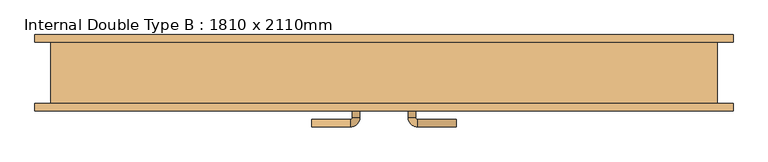
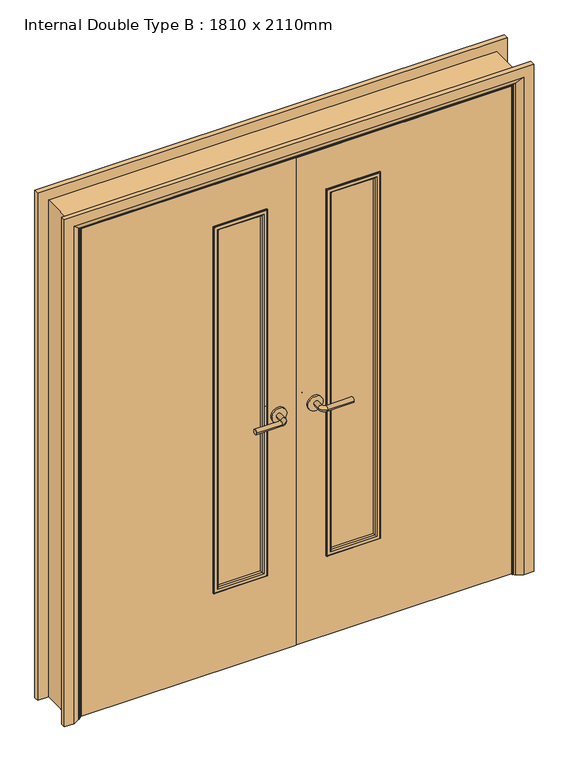
"""IFC4 building model written with IfcOpenShell, lengths in millimetres: door geometry, Internal Double Type B : 1810 x 2110mm."""

from ifc_helpers import new_model, si_unit, point, frame, frame_2d, origin, place, context, project, spatial, polyline, circle_curve, ellipse_curve, trimmed, segment, composite_curve, outline, extrude, faceted_brep, source, transform, mapped, element, save
from ifc_brep_helpers import plane_surface, cylinder_surface, revolved_surface, advanced_brep


def internal_double_type_b_1810_x_2110mm_bf38070e(model_context):
    return source(origin(), model_context, "Body", "SolidModel", [
        advanced_brep(
        [(-65.0, -42.5, 1007.0), (-85.0, -42.5, 1007.0), (-85.0, -12.5, 1007.0), (-65.0, -12.5, 1007.0), (-90.0, -7.5, 1007.0), (-90.0, 12.5, 1007.0), (-195.0, 12.5, 1007.0), (-195.0, -7.5, 1007.0)],
        [
            (0, 1, circle_curve(frame((-75.0, -42.5, 1007.0), z_axis=(0.0, -1.0, 0.0), x_axis=(-1.0, 0.0, 0.0)), 10.0)),
            (1, 0, circle_curve(frame((-75.0, -42.5, 1007.0), z_axis=(0.0, -1.0, 0.0), x_axis=(-1.0, 0.0, 0.0)), 10.0)),
            (1, 2),
            (2, 3, circle_curve(frame((-75.0, -12.5, 1007.0), z_axis=(0.0, -1.0, 0.0), x_axis=(-1.0, 0.0, 0.0)), 10.0)),
            (3, 0),
            (3, 2, circle_curve(frame((-75.0, -12.5, 1007.0), z_axis=(0.0, -1.0, 0.0), x_axis=(-1.0, 0.0, 0.0)), 10.0)),
            (4, 5, circle_curve(frame((-90.0, 2.5, 1007.0), z_axis=(1.0, 0.0, 0.0), x_axis=(0.0, -1.0, 0.0)), 10.0)),
            (5, 3, circle_curve(frame((-90.0, -12.5, 1007.0), z_axis=(0.0, 0.0, -1.0), x_axis=(1.0, 0.0, 0.0)), 25.0)),
            (2, 4, circle_curve(frame((-90.0, -12.5, 1007.0), z_axis=(0.0, 0.0, 1.0), x_axis=(1.0, 0.0, 0.0)), 5.0)),
            (5, 4, circle_curve(frame((-90.0, 2.5, 1007.0), z_axis=(1.0, 0.0, 0.0), x_axis=(0.0, -1.0, 0.0)), 10.0)),
            (6, 7, circle_curve(frame((-195.0, 2.5, 1007.0), z_axis=(-1.0, 0.0, 0.0), x_axis=(0.0, -1.0, 0.0)), 10.0)),
            (7, 6, circle_curve(frame((-195.0, 2.5, 1007.0), z_axis=(-1.0, 0.0, 0.0), x_axis=(0.0, -1.0, 0.0)), 10.0)),
            (4, 7),
            (6, 5),
        ],
        [
            plane_surface(frame((-75.0, -42.5, 1007.0), z_axis=(0.0, -1.0, 0.0), x_axis=(0.0, 0.0, 1.0))),
            cylinder_surface(frame((-75.0, -42.5, 1007.0), z_axis=(0.0, -1.0, 0.0), x_axis=(-1.0, 0.0, 0.0)), 10.0),
            revolved_surface(trimmed(ellipse_curve(frame((-75.0, -12.5, 1007.0), z_axis=(0.0, 1.0, 0.0), x_axis=(-1.0, 0.0, 0.0)), 10.0, 10.0), [point((-65.0, -12.5, 1007.0))], [point((-85.0, -12.5, 1007.0))], True, "CARTESIAN"), (-90.0, -12.5, 1007.0), (0.0, 0.0, -1.0)),
            revolved_surface(trimmed(ellipse_curve(frame((-75.0, -12.5, 1007.0), z_axis=(0.0, 1.0, 0.0), x_axis=(-1.0, 0.0, 0.0)), 10.0, 10.0), [point((-85.0, -12.5, 1007.0))], [point((-65.0, -12.5, 1007.0))], True, "CARTESIAN"), (-90.0, -12.5, 1007.0), (0.0, 0.0, -1.0)),
            plane_surface(frame((-195.0, 2.5, 1007.0), z_axis=(-1.0, 0.0, 0.0), x_axis=(0.0, 0.0, 1.0))),
            cylinder_surface(frame((-90.0, 2.5, 1007.0), z_axis=(1.0, 0.0, 0.0), x_axis=(0.0, -1.0, 0.0)), 10.0),
        ],
        [
            (0, [[1, 2]]),
            (1, [[3, 4, 5, -2]]),
            (1, [[-5, 6, -3, -1]]),
            (2, [[7, 8, -4, 9]]),
            (3, [[10, -9, -6, -8]]),
            (4, [[11, 12]]),
            (5, [[13, -11, 14, -7]]),
            (5, [[-14, -12, -13, -10]]),
        ],
    ),
        extrude(outline(composite_curve([segment(trimmed(circle_curve(frame_2d((1007.0, -72.5)), 30.0), [point((1007.0, -42.5))], [point((1007.0, -102.5))], False, "CARTESIAN"), True, "CONTINUOUS"), segment(trimmed(circle_curve(frame_2d((1007.0, -72.5)), 30.0), [point((1007.0, -102.5))], [point((1007.0, -42.5))], False, "CARTESIAN"), True, "CONTINUOUS")], self_intersect=False)), frame((0.0, -50.5, 0.0), z_axis=(0.0, 1.0, 0.0), x_axis=(0.0, 0.0, 1.0)), (0.0, 0.0, 1.0), 8.0),
        advanced_brep(
        [(-65.0, -90.5, 1007.0), (-85.0, -90.5, 1007.0), (-65.0, -120.5, 1007.0), (-85.0, -120.5, 1007.0), (-90.0, -125.5, 1007.0), (-90.0, -145.5, 1007.0), (-195.0, -145.5, 1007.0), (-195.0, -125.5, 1007.0)],
        [
            (0, 1, circle_curve(frame((-75.0, -90.5, 1007.0), z_axis=(0.0, 1.0, 0.0), x_axis=(-1.0, 0.0, 0.0)), 10.0)),
            (1, 0, circle_curve(frame((-75.0, -90.5, 1007.0), z_axis=(0.0, 1.0, 0.0), x_axis=(-1.0, 0.0, 0.0)), 10.0)),
            (0, 2),
            (2, 3, circle_curve(frame((-75.0, -120.5, 1007.0), z_axis=(0.0, 1.0, 0.0), x_axis=(-1.0, 0.0, 0.0)), 10.0)),
            (3, 1),
            (3, 2, circle_curve(frame((-75.0, -120.5, 1007.0), z_axis=(0.0, 1.0, 0.0), x_axis=(-1.0, 0.0, 0.0)), 10.0)),
            (4, 3, circle_curve(frame((-90.0, -120.5, 1007.0), z_axis=(0.0, 0.0, 1.0), x_axis=(1.0, 0.0, 0.0)), 5.0)),
            (2, 5, circle_curve(frame((-90.0, -120.5, 1007.0), z_axis=(0.0, 0.0, -1.0), x_axis=(1.0, 0.0, 0.0)), 25.0)),
            (5, 4, circle_curve(frame((-90.0, -135.5, 1007.0), z_axis=(1.0, 0.0, 0.0), x_axis=(0.0, 1.0, 0.0)), 10.0)),
            (4, 5, circle_curve(frame((-90.0, -135.5, 1007.0), z_axis=(1.0, 0.0, 0.0), x_axis=(0.0, 1.0, 0.0)), 10.0)),
            (6, 7, circle_curve(frame((-195.0, -135.5, 1007.0), z_axis=(-1.0, 0.0, 0.0), x_axis=(0.0, 1.0, 0.0)), 10.0)),
            (7, 6, circle_curve(frame((-195.0, -135.5, 1007.0), z_axis=(-1.0, 0.0, 0.0), x_axis=(0.0, 1.0, 0.0)), 10.0)),
            (5, 6),
            (7, 4),
        ],
        [
            plane_surface(frame((-75.0, -90.5, 1007.0), z_axis=(0.0, 1.0, 0.0), x_axis=(0.0, 0.0, 1.0))),
            cylinder_surface(frame((-75.0, -90.5, 1007.0), z_axis=(0.0, 1.0, 0.0), x_axis=(-1.0, 0.0, 0.0)), 10.0),
            revolved_surface(trimmed(ellipse_curve(frame((-75.0, -120.5, 1007.0), z_axis=(0.0, 1.0, 0.0), x_axis=(-1.0, 0.0, 0.0)), 10.0, 10.0), [point((-65.0, -120.5, 1007.0))], [point((-85.0, -120.5, 1007.0))], True, "CARTESIAN"), (-90.0, -120.5, 1007.0), (0.0, 0.0, -1.0)),
            revolved_surface(trimmed(ellipse_curve(frame((-75.0, -120.5, 1007.0), z_axis=(0.0, 1.0, 0.0), x_axis=(-1.0, 0.0, 0.0)), 10.0, 10.0), [point((-85.0, -120.5, 1007.0))], [point((-65.0, -120.5, 1007.0))], True, "CARTESIAN"), (-90.0, -120.5, 1007.0), (0.0, 0.0, -1.0)),
            plane_surface(frame((-195.0, -135.5, 1007.0), z_axis=(-1.0, 0.0, 0.0), x_axis=(0.0, 0.0, 1.0))),
            cylinder_surface(frame((-90.0, -135.5, 1007.0), z_axis=(1.0, 0.0, 0.0), x_axis=(0.0, 1.0, 0.0)), 10.0),
        ],
        [
            (0, [[1, 2]]),
            (1, [[-1, 3, 4, 5]]),
            (1, [[-2, -5, 6, -3]]),
            (2, [[7, -4, 8, 9]]),
            (3, [[-8, -6, -7, 10]]),
            (4, [[11, 12]]),
            (5, [[-9, 13, -12, 14]]),
            (5, [[-10, -14, -11, -13]]),
        ],
    ),
        extrude(outline(composite_curve([segment(trimmed(circle_curve(frame_2d((1007.0, -72.5)), 30.0), [point((1007.0, -42.5))], [point((1007.0, -102.5))], False, "CARTESIAN"), True, "CONTINUOUS"), segment(trimmed(circle_curve(frame_2d((1007.0, -72.5)), 30.0), [point((1007.0, -102.5))], [point((1007.0, -42.5))], False, "CARTESIAN"), True, "CONTINUOUS")], self_intersect=False)), frame((0.0, -90.5, 0.0), z_axis=(0.0, 1.0, 0.0), x_axis=(0.0, 0.0, 1.0)), (0.0, 0.0, 1.0), 8.0),
        advanced_brep(
        [(65.0, -42.5, 1007.0), (85.0, -42.5, 1007.0), (65.0, -12.5, 1007.0), (85.0, -12.5, 1007.0), (90.0, -7.5, 1007.0), (90.0, 12.5, 1007.0), (195.0, 12.5, 1007.0), (195.0, -7.5, 1007.0)],
        [
            (0, 1, circle_curve(frame((75.0, -42.5, 1007.0), z_axis=(0.0, -1.0, 0.0), x_axis=(1.0, 0.0, 0.0)), 10.0)),
            (1, 0, circle_curve(frame((75.0, -42.5, 1007.0), z_axis=(0.0, -1.0, 0.0), x_axis=(1.0, 0.0, 0.0)), 10.0)),
            (0, 2),
            (2, 3, circle_curve(frame((75.0, -12.5, 1007.0), z_axis=(0.0, -1.0, 0.0), x_axis=(1.0, 0.0, 0.0)), 10.0)),
            (3, 1),
            (3, 2, circle_curve(frame((75.0, -12.5, 1007.0), z_axis=(0.0, -1.0, 0.0), x_axis=(1.0, 0.0, 0.0)), 10.0)),
            (4, 3, circle_curve(frame((90.0, -12.5, 1007.0), z_axis=(0.0, 0.0, 1.0), x_axis=(-1.0, 0.0, 0.0)), 5.0)),
            (2, 5, circle_curve(frame((90.0, -12.5, 1007.0), z_axis=(0.0, 0.0, -1.0), x_axis=(-1.0, 0.0, 0.0)), 25.0)),
            (5, 4, circle_curve(frame((90.0, 2.5, 1007.0), z_axis=(-1.0, 0.0, 0.0), x_axis=(0.0, -1.0, 0.0)), 10.0)),
            (4, 5, circle_curve(frame((90.0, 2.5, 1007.0), z_axis=(-1.0, 0.0, 0.0), x_axis=(0.0, -1.0, 0.0)), 10.0)),
            (6, 7, circle_curve(frame((195.0, 2.5, 1007.0), z_axis=(1.0, 0.0, 0.0), x_axis=(0.0, -1.0, 0.0)), 10.0)),
            (7, 6, circle_curve(frame((195.0, 2.5, 1007.0), z_axis=(1.0, 0.0, 0.0), x_axis=(0.0, -1.0, 0.0)), 10.0)),
            (5, 6),
            (7, 4),
        ],
        [
            plane_surface(frame((75.0, -42.5, 1007.0), z_axis=(0.0, -1.0, 0.0), x_axis=(0.0, 0.0, 1.0))),
            cylinder_surface(frame((75.0, -42.5, 1007.0), z_axis=(0.0, -1.0, 0.0), x_axis=(1.0, 0.0, 0.0)), 10.0),
            revolved_surface(trimmed(ellipse_curve(frame((75.0, -12.5, 1007.0), z_axis=(0.0, -1.0, 0.0), x_axis=(1.0, 0.0, 0.0)), 10.0, 10.0), [point((65.0, -12.5, 1007.0))], [point((85.0, -12.5, 1007.0))], True, "CARTESIAN"), (90.0, -12.5, 1007.0), (0.0, 0.0, -1.0)),
            revolved_surface(trimmed(ellipse_curve(frame((75.0, -12.5, 1007.0), z_axis=(0.0, -1.0, 0.0), x_axis=(1.0, 0.0, 0.0)), 10.0, 10.0), [point((85.0, -12.5, 1007.0))], [point((65.0, -12.5, 1007.0))], True, "CARTESIAN"), (90.0, -12.5, 1007.0), (0.0, 0.0, -1.0)),
            plane_surface(frame((195.0, 2.5, 1007.0), z_axis=(1.0, 0.0, 0.0), x_axis=(0.0, 0.0, 1.0))),
            cylinder_surface(frame((90.0, 2.5, 1007.0), z_axis=(-1.0, 0.0, 0.0), x_axis=(0.0, -1.0, 0.0)), 10.0),
        ],
        [
            (0, [[1, 2]]),
            (1, [[-1, 3, 4, 5]]),
            (1, [[-2, -5, 6, -3]]),
            (2, [[7, -4, 8, 9]]),
            (3, [[-8, -6, -7, 10]]),
            (4, [[11, 12]]),
            (5, [[-9, 13, -12, 14]]),
            (5, [[-10, -14, -11, -13]]),
        ],
    ),
        extrude(outline(composite_curve([segment(trimmed(circle_curve(frame_2d((1007.0, 72.5)), 30.0), [point((1007.0, 42.5))], [point((1007.0, 102.5))], False, "CARTESIAN"), True, "CONTINUOUS"), segment(trimmed(circle_curve(frame_2d((1007.0, 72.5)), 30.0), [point((1007.0, 102.5))], [point((1007.0, 42.5))], False, "CARTESIAN"), True, "CONTINUOUS")], self_intersect=False)), frame((0.0, -50.5, 0.0), z_axis=(0.0, 1.0, 0.0), x_axis=(0.0, 0.0, 1.0)), (0.0, 0.0, 1.0), 8.0),
        advanced_brep(
        [(65.0, -90.5, 1007.0), (85.0, -90.5, 1007.0), (85.0, -120.5, 1007.0), (65.0, -120.5, 1007.0), (90.0, -125.5, 1007.0), (90.0, -145.5, 1007.0), (195.0, -145.5, 1007.0), (195.0, -125.5, 1007.0)],
        [
            (0, 1, circle_curve(frame((75.0, -90.5, 1007.0), z_axis=(0.0, 1.0, 0.0), x_axis=(1.0, 0.0, 0.0)), 10.0)),
            (1, 0, circle_curve(frame((75.0, -90.5, 1007.0), z_axis=(0.0, 1.0, 0.0), x_axis=(1.0, 0.0, 0.0)), 10.0)),
            (1, 2),
            (2, 3, circle_curve(frame((75.0, -120.5, 1007.0), z_axis=(0.0, 1.0, 0.0), x_axis=(1.0, 0.0, 0.0)), 10.0)),
            (3, 0),
            (3, 2, circle_curve(frame((75.0, -120.5, 1007.0), z_axis=(0.0, 1.0, 0.0), x_axis=(1.0, 0.0, 0.0)), 10.0)),
            (4, 5, circle_curve(frame((90.0, -135.5, 1007.0), z_axis=(-1.0, 0.0, 0.0), x_axis=(0.0, 1.0, 0.0)), 10.0)),
            (5, 3, circle_curve(frame((90.0, -120.5, 1007.0), z_axis=(0.0, 0.0, -1.0), x_axis=(-1.0, 0.0, 0.0)), 25.0)),
            (2, 4, circle_curve(frame((90.0, -120.5, 1007.0), z_axis=(0.0, 0.0, 1.0), x_axis=(-1.0, 0.0, 0.0)), 5.0)),
            (5, 4, circle_curve(frame((90.0, -135.5, 1007.0), z_axis=(-1.0, 0.0, 0.0), x_axis=(0.0, 1.0, 0.0)), 10.0)),
            (6, 7, circle_curve(frame((195.0, -135.5, 1007.0), z_axis=(1.0, 0.0, 0.0), x_axis=(0.0, 1.0, 0.0)), 10.0)),
            (7, 6, circle_curve(frame((195.0, -135.5, 1007.0), z_axis=(1.0, 0.0, 0.0), x_axis=(0.0, 1.0, 0.0)), 10.0)),
            (4, 7),
            (6, 5),
        ],
        [
            plane_surface(frame((75.0, -90.5, 1007.0), z_axis=(0.0, 1.0, 0.0), x_axis=(0.0, 0.0, 1.0))),
            cylinder_surface(frame((75.0, -90.5, 1007.0), z_axis=(0.0, 1.0, 0.0), x_axis=(1.0, 0.0, 0.0)), 10.0),
            revolved_surface(trimmed(ellipse_curve(frame((75.0, -120.5, 1007.0), z_axis=(0.0, -1.0, 0.0), x_axis=(1.0, 0.0, 0.0)), 10.0, 10.0), [point((65.0, -120.5, 1007.0))], [point((85.0, -120.5, 1007.0))], True, "CARTESIAN"), (90.0, -120.5, 1007.0), (0.0, 0.0, -1.0)),
            revolved_surface(trimmed(ellipse_curve(frame((75.0, -120.5, 1007.0), z_axis=(0.0, -1.0, 0.0), x_axis=(1.0, 0.0, 0.0)), 10.0, 10.0), [point((85.0, -120.5, 1007.0))], [point((65.0, -120.5, 1007.0))], True, "CARTESIAN"), (90.0, -120.5, 1007.0), (0.0, 0.0, -1.0)),
            plane_surface(frame((195.0, -135.5, 1007.0), z_axis=(1.0, 0.0, 0.0), x_axis=(0.0, 0.0, 1.0))),
            cylinder_surface(frame((90.0, -135.5, 1007.0), z_axis=(-1.0, 0.0, 0.0), x_axis=(0.0, 1.0, 0.0)), 10.0),
        ],
        [
            (0, [[1, 2]]),
            (1, [[3, 4, 5, -2]]),
            (1, [[-5, 6, -3, -1]]),
            (2, [[7, 8, -4, 9]]),
            (3, [[10, -9, -6, -8]]),
            (4, [[11, 12]]),
            (5, [[13, -11, 14, -7]]),
            (5, [[-14, -12, -13, -10]]),
        ],
    ),
        extrude(outline(composite_curve([segment(trimmed(circle_curve(frame_2d((1007.0, 72.5)), 30.0), [point((1007.0, 42.5))], [point((1007.0, 102.5))], False, "CARTESIAN"), True, "CONTINUOUS"), segment(trimmed(circle_curve(frame_2d((1007.0, 72.5)), 30.0), [point((1007.0, 102.5))], [point((1007.0, 42.5))], False, "CARTESIAN"), True, "CONTINUOUS")], self_intersect=False)), frame((0.0, -90.5, 0.0), z_axis=(0.0, 1.0, 0.0), x_axis=(0.0, 0.0, 1.0)), (0.0, 0.0, 1.0), 8.0),
        advanced_brep(
        [(-940.0, 102.5, 0.0), (-900.0, 102.5, 0.0), (-874.0, 88.5, 0.0), (-870.0, 82.5, 0.0), (-940.0, 82.5, 0.0), (-940.0, 82.5, 2145.0), (-940.0, 102.5, 2145.0), (-870.0, 82.5, 2075.0), (870.0, 82.5, 2075.0), (870.0, 82.5, 0.0), (940.0, 82.5, 0.0), (940.0, 82.5, 2145.0), (-874.0, 88.5, 2079.0), (-900.0, 102.5, 2105.0), (940.0, 102.5, 2145.0), (940.0, 102.5, 0.0), (900.0, 102.5, 0.0), (900.0, 102.5, 2105.0), (874.0, 88.5, 2079.0), (874.0, 88.5, 0.0)],
        [
            (0, 1),
            (1, 2),
            (2, 3, circle_curve(frame((-878.0, 81.5, 0.0), z_axis=(0.0, 0.0, -1.0), x_axis=(-1.0, 0.0, 0.0)), 8.0622577)),
            (3, 4),
            (4, 0),
            (4, 5),
            (5, 6),
            (6, 0),
            (3, 7),
            (7, 8),
            (8, 9),
            (9, 10),
            (10, 11),
            (11, 5),
            (2, 12),
            (12, 7, ellipse_curve(frame((-878.0, 81.5, 2083.0), z_axis=(-0.7071067811865475, 0.0, -0.7071067811865475), x_axis=(0.7071067811865474, 0.0, -0.7071067811865476)), 11.4017543, 8.0622577)),
            (1, 13),
            (13, 12),
            (6, 14),
            (14, 15),
            (15, 16),
            (16, 17),
            (17, 13),
            (11, 14),
            (12, 18),
            (18, 8, ellipse_curve(frame((878.0, 81.5, 2083.0), z_axis=(-0.7071067811865475, 0.0, 0.7071067811865475), x_axis=(-0.7071067811865476, 0.0, -0.7071067811865474)), 11.4017543, 8.0622577)),
            (17, 18),
            (15, 10),
            (9, 19, circle_curve(frame((878.0, 81.5, 0.0), z_axis=(0.0, 0.0, -1.0), x_axis=(1.0, 0.0, 0.0)), 8.0622577)),
            (19, 16),
            (18, 19),
        ],
        [
            plane_surface(frame((-870.0, 82.5, 0.0), z_axis=(0.0, 0.0, -1.0), x_axis=(0.0, 1.0, 0.0))),
            plane_surface(frame((-940.0, 102.5, 0.0), z_axis=(-1.0, 0.0, 0.0), x_axis=(0.0, 0.0, 1.0))),
            plane_surface(frame((-940.0, 82.5, 0.0), z_axis=(0.0, -1.0, 0.0), x_axis=(0.0, 0.0, 1.0))),
            cylinder_surface(frame((-878.0, 81.5, 0.0), z_axis=(0.0, 0.0, -1.0), x_axis=(-1.0, 0.0, 0.0)), 8.0622577),
            plane_surface(frame((-874.0, 88.5, 0.0), z_axis=(0.4740998230350183, 0.8804710999221749, 0.0), x_axis=(0.0, 0.0, 1.0))),
            plane_surface(frame((-900.0, 102.5, 0.0), z_axis=(0.0, 1.0, 0.0), x_axis=(0.0, 0.0, 1.0))),
            plane_surface(frame((-940.0, 102.5, 2145.0), z_axis=(0.0, 0.0, 1.0), x_axis=(1.0, 0.0, 0.0))),
            cylinder_surface(frame((-870.0, 81.5, 2083.0), z_axis=(-1.0, 0.0, 0.0), x_axis=(0.0, 0.0, 1.0)), 8.0622577),
            plane_surface(frame((-874.0, 88.5, 2079.0), z_axis=(0.0, 0.8804710999221749, -0.4740998230350183), x_axis=(1.0, 0.0, 0.0))),
            plane_surface(frame((870.0, 82.5, 0.0), z_axis=(0.0, 0.0, -1.0), x_axis=(0.0, 1.0, 0.0))),
            plane_surface(frame((940.0, 102.5, 2145.0), z_axis=(1.0, 0.0, 0.0), x_axis=(0.0, 0.0, -1.0))),
            cylinder_surface(frame((878.0, 81.5, 2075.0), z_axis=(0.0, 0.0, 1.0), x_axis=(1.0, 0.0, 0.0)), 8.0622577),
            plane_surface(frame((874.0, 88.5, 2079.0), z_axis=(-0.4740998230350183, 0.8804710999221749, 0.0), x_axis=(0.0, 0.0, -1.0))),
        ],
        [
            (0, [[1, 2, 3, 4, 5]]),
            (1, [[6, 7, 8, -5]]),
            (2, [[9, 10, 11, 12, 13, 14, -6, -4]]),
            (3, [[15, 16, -9, -3]]),
            (4, [[17, 18, -15, -2]]),
            (5, [[-8, 19, 20, 21, 22, 23, -17, -1]]),
            (6, [[-14, 24, -19, -7]]),
            (7, [[25, 26, -10, -16]]),
            (8, [[-23, 27, -25, -18]]),
            (9, [[28, -12, 29, 30, -21]]),
            (10, [[-13, -28, -20, -24]]),
            (11, [[31, -29, -11, -26]]),
            (12, [[-22, -30, -31, -27]]),
        ],
    ),
        advanced_brep(
        [(940.0, -102.5, 0.0), (900.0, -102.5, 0.0), (874.0, -88.5, 0.0), (870.0, -82.5, 0.0), (940.0, -82.5, 0.0), (940.0, -82.5, 2145.0), (940.0, -102.5, 2145.0), (870.0, -82.5, 2075.0), (-870.0, -82.5, 2075.0), (-870.0, -82.5, 0.0), (-940.0, -82.5, 0.0), (-940.0, -82.5, 2145.0), (874.0, -88.5, 2079.0), (900.0, -102.5, 2105.0), (-940.0, -102.5, 2145.0), (-940.0, -102.5, 0.0), (-900.0, -102.5, 0.0), (-900.0, -102.5, 2105.0), (-874.0, -88.5, 2079.0), (-874.0, -88.5, 0.0)],
        [
            (0, 1),
            (1, 2),
            (2, 3, circle_curve(frame((878.0, -81.5, 0.0), z_axis=(0.0, 0.0, -1.0), x_axis=(1.0, 0.0, 0.0)), 8.0622577)),
            (3, 4),
            (4, 0),
            (4, 5),
            (5, 6),
            (6, 0),
            (3, 7),
            (7, 8),
            (8, 9),
            (9, 10),
            (10, 11),
            (11, 5),
            (2, 12),
            (12, 7, ellipse_curve(frame((878.0, -81.5, 2083.0), z_axis=(0.7071067811865475, 0.0, -0.7071067811865475), x_axis=(-0.7071067811865474, 0.0, -0.7071067811865476)), 11.4017543, 8.0622577)),
            (1, 13),
            (13, 12),
            (6, 14),
            (14, 15),
            (15, 16),
            (16, 17),
            (17, 13),
            (11, 14),
            (12, 18),
            (18, 8, ellipse_curve(frame((-878.0, -81.5, 2083.0), z_axis=(0.7071067811865475, 0.0, 0.7071067811865475), x_axis=(0.7071067811865476, 0.0, -0.7071067811865474)), 11.4017543, 8.0622577)),
            (17, 18),
            (15, 10),
            (9, 19, circle_curve(frame((-878.0, -81.5, 0.0), z_axis=(0.0, 0.0, -1.0), x_axis=(-1.0, 0.0, 0.0)), 8.0622577)),
            (19, 16),
            (18, 19),
        ],
        [
            plane_surface(frame((870.0, -82.5, 0.0), z_axis=(0.0, 0.0, -1.0), x_axis=(0.0, 1.0, 0.0))),
            plane_surface(frame((940.0, -102.5, 0.0), z_axis=(1.0, 0.0, 0.0), x_axis=(0.0, 0.0, 1.0))),
            plane_surface(frame((940.0, -82.5, 0.0), z_axis=(0.0, 1.0, 0.0), x_axis=(0.0, 0.0, 1.0))),
            cylinder_surface(frame((878.0, -81.5, 0.0), z_axis=(0.0, 0.0, -1.0), x_axis=(1.0, 0.0, 0.0)), 8.0622577),
            plane_surface(frame((874.0, -88.5, 0.0), z_axis=(-0.4740998230350126, -0.8804710999221779, 0.0), x_axis=(0.0, 0.0, 1.0))),
            plane_surface(frame((900.0, -102.5, 0.0), z_axis=(0.0, -1.0, 0.0), x_axis=(0.0, 0.0, 1.0))),
            plane_surface(frame((940.0, -102.5, 2145.0), z_axis=(0.0, 0.0, 1.0), x_axis=(-1.0, 0.0, 0.0))),
            cylinder_surface(frame((870.0, -81.5, 2083.0), z_axis=(1.0, 0.0, 0.0), x_axis=(0.0, 0.0, 1.0)), 8.0622577),
            plane_surface(frame((874.0, -88.5, 2079.0), z_axis=(0.0, -0.8804710999221763, -0.4740998230350154), x_axis=(-1.0, 0.0, 0.0))),
            plane_surface(frame((-870.0, -82.5, 0.0), z_axis=(0.0, 0.0, -1.0), x_axis=(0.0, 1.0, 0.0))),
            plane_surface(frame((-940.0, -102.5, 2145.0), z_axis=(-1.0, 0.0, 0.0), x_axis=(0.0, 0.0, -1.0))),
            cylinder_surface(frame((-878.0, -81.5, 2075.0), z_axis=(0.0, 0.0, 1.0), x_axis=(-1.0, 0.0, 0.0)), 8.0622577),
            plane_surface(frame((-874.0, -88.5, 2079.0), z_axis=(0.4740998230350183, -0.8804710999221749, 0.0), x_axis=(0.0, 0.0, -1.0))),
        ],
        [
            (0, [[1, 2, 3, 4, 5]]),
            (1, [[6, 7, 8, -5]]),
            (2, [[9, 10, 11, 12, 13, 14, -6, -4]]),
            (3, [[15, 16, -9, -3]]),
            (4, [[17, 18, -15, -2]]),
            (5, [[-8, 19, 20, 21, 22, 23, -17, -1]]),
            (6, [[-14, 24, -19, -7]]),
            (7, [[25, 26, -10, -16]]),
            (8, [[-23, 27, -25, -18]]),
            (9, [[28, -12, 29, 30, -21]]),
            (10, [[-13, -28, -20, -24]]),
            (11, [[31, -29, -11, -26]]),
            (12, [[-22, -30, -31, -27]]),
        ],
    ),
        faceted_brep([(-846.0, -47.5, 0.0), (-865.0, -47.5, 0.0), (-865.0, -15.5, 0.0), (-846.0, -15.5, 0.0), (-846.0, -15.5, 2051.0), (-846.0, -47.5, 2051.0), (-865.0, -15.5, 2070.0), (-865.0, -47.5, 2070.0), (846.0, -15.5, 2051.0), (846.0, -47.5, 2051.0), (865.0, -15.5, 2070.0), (865.0, -47.5, 2070.0), (846.0, -47.5, 0.0), (846.0, -15.5, 0.0), (865.0, -15.5, 0.0), (865.0, -47.5, 0.0)], [[[0, 1, 2, 3]], [[3, 4, 5, 0]], [[2, 6, 4, 3]], [[1, 7, 6, 2]], [[0, 5, 7, 1]], [[4, 8, 9, 5]], [[6, 10, 8, 4]], [[7, 11, 10, 6]], [[5, 9, 11, 7]], [[12, 13, 14, 15]], [[8, 13, 12, 9]], [[10, 14, 13, 8]], [[11, 15, 14, 10]], [[9, 12, 15, 11]]]),
        extrude(outline(polyline([(2102.0, -897.0), (0.0, -897.0), (0.0, -865.0), (2070.0, -865.0), (2070.0, 865.0), (0.0, 865.0), (0.0, 897.0), (2102.0, 897.0), (2102.0, -897.0)])), frame((0.0, -82.5, 0.0), z_axis=(0.0, 1.0, 0.0), x_axis=(0.0, 0.0, 1.0)), (0.0, 0.0, 1.0), 165.0),
        extrude(outline(polyline([(326.5, -60.5), (326.5, -72.5), (126.5, -72.5), (126.5, -60.5), (326.5, -60.5)])), frame((0.0, 0.0, 350.0), z_axis=(0.0, 0.0, 1.0), x_axis=(1.0, 0.0, 0.0)), (0.0, 0.0, 1.0), 1535.0),
        extrude(outline(polyline([(-126.5, -60.5), (-126.5, -72.5), (-326.5, -72.5), (-326.5, -60.5), (-126.5, -60.5)])), frame((0.0, 0.0, 350.0), z_axis=(0.0, 0.0, 1.0), x_axis=(1.0, 0.0, 0.0)), (0.0, 0.0, 1.0), 1535.0),
        extrude(outline(polyline([(5.753223, -862.0), (5.753223, -1.5), (2067.0, -1.5), (2067.0, -862.0), (5.753223, -862.0)]), holes=[polyline([(1885.0, -326.5), (1885.0, -126.5), (350.0, -126.5), (350.0, -326.5), (1885.0, -326.5)])]), frame((0.0, -82.5, 0.0), z_axis=(0.0, 1.0, 0.0), x_axis=(0.0, 0.0, 1.0)), (0.0, 0.0, 1.0), 32.0),
        extrude(outline(polyline([(5.753223, 862.0), (2067.0, 862.0), (2067.0, 1.5), (5.753223, 1.5), (5.753223, 862.0)]), holes=[polyline([(1885.0, 126.5), (1885.0, 326.5), (350.0, 326.5), (350.0, 126.5), (1885.0, 126.5)])]), frame((0.0, -82.5, 0.0), z_axis=(0.0, 1.0, 0.0), x_axis=(0.0, 0.0, 1.0)), (0.0, 0.0, 1.0), 32.0),
        advanced_brep(
        [(326.5, -60.5, 1885.0), (326.5, -60.5, 350.0), (326.5, -50.5, 350.0), (326.5, -50.5, 1885.0), (314.5, -49.5, 1873.0), (314.5, -49.5, 362.0), (314.5, -60.5, 362.0), (314.5, -60.5, 1873.0), (319.5, -44.5, 1878.0), (319.5, -44.5, 357.0), (334.5, -46.5, 1893.0), (334.5, -46.5, 342.0), (332.5, -44.5, 344.0), (332.5, -44.5, 1891.0), (334.5, -50.5, 1893.0), (334.5, -50.5, 342.0), (126.5, -60.5, 350.0), (126.5, -50.5, 350.0), (138.5, -49.5, 362.0), (138.5, -60.5, 362.0), (133.5, -44.5, 357.0), (118.5, -46.5, 342.0), (120.5, -44.5, 344.0), (118.5, -50.5, 342.0), (126.5, -60.5, 1885.0), (126.5, -50.5, 1885.0), (138.5, -49.5, 1873.0), (138.5, -60.5, 1873.0), (133.5, -44.5, 1878.0), (118.5, -46.5, 1893.0), (120.5, -44.5, 1891.0), (118.5, -50.5, 1893.0)],
        [
            (0, 1),
            (1, 2),
            (2, 3),
            (3, 0),
            (4, 5),
            (5, 6),
            (6, 7),
            (7, 4),
            (8, 9),
            (9, 5, ellipse_curve(frame((319.5, -49.5, 357.0), z_axis=(0.7071067811865475, 0.0, 0.7071067811865475), x_axis=(-0.7071067811865474, 0.0, 0.7071067811865476)), 7.0710678, 5.0)),
            (4, 8, ellipse_curve(frame((319.5, -49.5, 1878.0), z_axis=(0.7071067811865475, 0.0, -0.7071067811865475), x_axis=(0.7071067811865474, 0.0, 0.7071067811865476)), 7.0710678, 5.0)),
            (10, 11),
            (11, 12, ellipse_curve(frame((332.5, -46.5, 344.0), z_axis=(0.7071067811865475, 0.0, 0.7071067811865475), x_axis=(-0.7071067811865474, 0.0, 0.7071067811865476)), 2.8284271, 2.0)),
            (12, 13),
            (13, 10, ellipse_curve(frame((332.5, -46.5, 1891.0), z_axis=(0.7071067811865475, 0.0, -0.7071067811865475), x_axis=(0.7071067811865474, 0.0, 0.7071067811865476)), 2.8284271, 2.0)),
            (14, 15),
            (15, 11),
            (10, 14),
            (1, 16),
            (16, 17),
            (17, 2),
            (5, 18),
            (18, 19),
            (19, 6),
            (9, 20),
            (20, 18, ellipse_curve(frame((133.5, -49.5, 357.0), z_axis=(0.7071067811865475, 0.0, -0.7071067811865475), x_axis=(0.7071067811865476, 0.0, 0.7071067811865474)), 7.0710678, 5.0)),
            (11, 21),
            (21, 22, ellipse_curve(frame((120.5, -46.5, 344.0), z_axis=(0.7071067811865475, 0.0, -0.7071067811865475), x_axis=(0.7071067811865476, 0.0, 0.7071067811865474)), 2.8284271, 2.0)),
            (22, 12),
            (15, 23),
            (23, 21),
            (16, 24),
            (24, 25),
            (25, 17),
            (18, 26),
            (26, 27),
            (27, 19),
            (20, 28),
            (28, 26, ellipse_curve(frame((133.5, -49.5, 1878.0), z_axis=(-0.7071067811865475, 0.0, -0.7071067811865475), x_axis=(0.7071067811865474, 0.0, -0.7071067811865476)), 7.0710678, 5.0)),
            (21, 29),
            (29, 30, ellipse_curve(frame((120.5, -46.5, 1891.0), z_axis=(-0.7071067811865475, 0.0, -0.7071067811865475), x_axis=(0.7071067811865474, 0.0, -0.7071067811865476)), 2.8284271, 2.0)),
            (30, 22),
            (23, 31),
            (31, 29),
            (14, 31),
            (25, 3),
            (24, 0),
            (27, 7),
            (26, 4),
            (28, 8),
            (30, 13),
            (29, 10),
        ],
        [
            plane_surface(frame((326.5, -50.5, 1885.0), z_axis=(1.0, 0.0, 0.0), x_axis=(0.0, 0.0, -1.0))),
            plane_surface(frame((314.5, -60.5, 1873.0), z_axis=(-1.0, 0.0, 0.0), x_axis=(0.0, 0.0, -1.0))),
            cylinder_surface(frame((319.5, -49.5, 1885.0), z_axis=(0.0, 0.0, 1.0), x_axis=(1.0, 0.0, 0.0)), 5.0),
            cylinder_surface(frame((332.5, -46.5, 1885.0), z_axis=(0.0, 0.0, 1.0), x_axis=(1.0, 0.0, 0.0)), 2.0),
            plane_surface(frame((334.5, -46.5, 1893.0), z_axis=(1.0, 0.0, 0.0), x_axis=(0.0, 0.0, -1.0))),
            plane_surface(frame((326.5, -50.5, 350.0), z_axis=(0.0, 0.0, -1.0), x_axis=(-1.0, 0.0, 0.0))),
            plane_surface(frame((314.5, -60.5, 362.0), z_axis=(0.0, 0.0, 1.0), x_axis=(-1.0, 0.0, 0.0))),
            cylinder_surface(frame((326.5, -49.5, 357.0), z_axis=(1.0, 0.0, 0.0), x_axis=(0.0, 0.0, -1.0)), 5.0),
            cylinder_surface(frame((326.5, -46.5, 344.0), z_axis=(1.0, 0.0, 0.0), x_axis=(0.0, 0.0, -1.0)), 2.0),
            plane_surface(frame((334.5, -46.5, 342.0), z_axis=(0.0, 0.0, -1.0), x_axis=(-1.0, 0.0, 0.0))),
            plane_surface(frame((126.5, -50.5, 350.0), z_axis=(-1.0, 0.0, 0.0), x_axis=(0.0, 0.0, 1.0))),
            plane_surface(frame((138.5, -60.5, 362.0), z_axis=(1.0, 0.0, 0.0), x_axis=(0.0, 0.0, 1.0))),
            cylinder_surface(frame((133.5, -49.5, 350.0), z_axis=(0.0, 0.0, -1.0), x_axis=(-1.0, 0.0, 0.0)), 5.0),
            cylinder_surface(frame((120.5, -46.5, 350.0), z_axis=(0.0, 0.0, -1.0), x_axis=(-1.0, 0.0, 0.0)), 2.0),
            plane_surface(frame((118.5, -46.5, 342.0), z_axis=(-1.0, 0.0, 0.0), x_axis=(0.0, 0.0, 1.0))),
            plane_surface(frame((118.5, -50.5, 1893.0), z_axis=(0.0, -1.0, 0.0), x_axis=(1.0, 0.0, 0.0))),
            plane_surface(frame((126.5, -50.5, 1885.0), z_axis=(0.0, 0.0, 1.0), x_axis=(1.0, 0.0, 0.0))),
            plane_surface(frame((126.5, -60.5, 1885.0), z_axis=(0.0, -1.0, 0.0), x_axis=(1.0, 0.0, 0.0))),
            plane_surface(frame((138.5, -60.5, 1873.0), z_axis=(0.0, 0.0, -1.0), x_axis=(1.0, 0.0, 0.0))),
            cylinder_surface(frame((126.5, -49.5, 1878.0), z_axis=(-1.0, 0.0, 0.0), x_axis=(0.0, 0.0, 1.0)), 5.0),
            plane_surface(frame((133.5, -44.5, 1878.0), z_axis=(0.0, 1.0, 0.0), x_axis=(1.0, 0.0, 0.0))),
            cylinder_surface(frame((126.5, -46.5, 1891.0), z_axis=(-1.0, 0.0, 0.0), x_axis=(0.0, 0.0, 1.0)), 2.0),
            plane_surface(frame((118.5, -46.5, 1893.0), z_axis=(0.0, 0.0, 1.0), x_axis=(1.0, 0.0, 0.0))),
        ],
        [
            (0, [[1, 2, 3, 4]]),
            (1, [[5, 6, 7, 8]]),
            (2, [[9, 10, -5, 11]]),
            (3, [[12, 13, 14, 15]]),
            (4, [[16, 17, -12, 18]]),
            (5, [[19, 20, 21, -2]]),
            (6, [[22, 23, 24, -6]]),
            (7, [[25, 26, -22, -10]]),
            (8, [[27, 28, 29, -13]]),
            (9, [[30, 31, -27, -17]]),
            (10, [[32, 33, 34, -20]]),
            (11, [[35, 36, 37, -23]]),
            (12, [[38, 39, -35, -26]]),
            (13, [[40, 41, 42, -28]]),
            (14, [[43, 44, -40, -31]]),
            (15, [[-16, 45, -43, -30], [-3, -21, -34, 46]]),
            (16, [[47, -4, -46, -33]]),
            (17, [[-1, -47, -32, -19], [-7, -24, -37, 48]]),
            (18, [[49, -8, -48, -36]]),
            (19, [[50, -11, -49, -39]]),
            (20, [[-14, -29, -42, 51], [-9, -50, -38, -25]]),
            (21, [[52, -15, -51, -41]]),
            (22, [[-45, -18, -52, -44]]),
        ],
    ),
        advanced_brep(
        [(-326.5, -60.5, 350.0), (-326.5, -60.5, 1885.0), (-326.5, -50.5, 1885.0), (-326.5, -50.5, 350.0), (-314.5, -49.5, 362.0), (-314.5, -49.5, 1873.0), (-314.5, -60.5, 1873.0), (-314.5, -60.5, 362.0), (-319.5, -44.5, 357.0), (-319.5, -44.5, 1878.0), (-334.5, -46.5, 342.0), (-334.5, -46.5, 1893.0), (-332.5, -44.5, 1891.0), (-332.5, -44.5, 344.0), (-334.5, -50.5, 342.0), (-334.5, -50.5, 1893.0), (-126.5, -60.5, 1885.0), (-126.5, -50.5, 1885.0), (-138.5, -49.5, 1873.0), (-138.5, -60.5, 1873.0), (-133.5, -44.5, 1878.0), (-118.5, -46.5, 1893.0), (-120.5, -44.5, 1891.0), (-118.5, -50.5, 1893.0), (-126.5, -60.5, 350.0), (-126.5, -50.5, 350.0), (-138.5, -49.5, 362.0), (-138.5, -60.5, 362.0), (-133.5, -44.5, 357.0), (-118.5, -46.5, 342.0), (-120.5, -44.5, 344.0), (-118.5, -50.5, 342.0)],
        [
            (0, 1),
            (1, 2),
            (2, 3),
            (3, 0),
            (4, 5),
            (5, 6),
            (6, 7),
            (7, 4),
            (8, 9),
            (9, 5, ellipse_curve(frame((-319.5, -49.5, 1878.0), z_axis=(-0.7071067811865475, 0.0, -0.7071067811865475), x_axis=(0.7071067811865474, 0.0, -0.7071067811865476)), 7.0710678, 5.0)),
            (4, 8, ellipse_curve(frame((-319.5, -49.5, 357.0), z_axis=(-0.7071067811865475, 0.0, 0.7071067811865475), x_axis=(-0.7071067811865474, 0.0, -0.7071067811865476)), 7.0710678, 5.0)),
            (10, 11),
            (11, 12, ellipse_curve(frame((-332.5, -46.5, 1891.0), z_axis=(-0.7071067811865475, 0.0, -0.7071067811865475), x_axis=(0.7071067811865474, 0.0, -0.7071067811865476)), 2.8284271, 2.0)),
            (12, 13),
            (13, 10, ellipse_curve(frame((-332.5, -46.5, 344.0), z_axis=(-0.7071067811865475, 0.0, 0.7071067811865475), x_axis=(-0.7071067811865474, 0.0, -0.7071067811865476)), 2.8284271, 2.0)),
            (14, 15),
            (15, 11),
            (10, 14),
            (1, 16),
            (16, 17),
            (17, 2),
            (5, 18),
            (18, 19),
            (19, 6),
            (9, 20),
            (20, 18, ellipse_curve(frame((-133.5, -49.5, 1878.0), z_axis=(-0.7071067811865475, 0.0, 0.7071067811865475), x_axis=(-0.7071067811865476, 0.0, -0.7071067811865474)), 7.0710678, 5.0)),
            (11, 21),
            (21, 22, ellipse_curve(frame((-120.5, -46.5, 1891.0), z_axis=(-0.7071067811865475, 0.0, 0.7071067811865475), x_axis=(-0.7071067811865476, 0.0, -0.7071067811865474)), 2.8284271, 2.0)),
            (22, 12),
            (15, 23),
            (23, 21),
            (16, 24),
            (24, 25),
            (25, 17),
            (18, 26),
            (26, 27),
            (27, 19),
            (20, 28),
            (28, 26, ellipse_curve(frame((-133.5, -49.5, 357.0), z_axis=(0.7071067811865475, 0.0, 0.7071067811865475), x_axis=(-0.7071067811865474, 0.0, 0.7071067811865476)), 7.0710678, 5.0)),
            (21, 29),
            (29, 30, ellipse_curve(frame((-120.5, -46.5, 344.0), z_axis=(0.7071067811865475, 0.0, 0.7071067811865475), x_axis=(-0.7071067811865474, 0.0, 0.7071067811865476)), 2.8284271, 2.0)),
            (30, 22),
            (23, 31),
            (31, 29),
            (14, 31),
            (25, 3),
            (24, 0),
            (27, 7),
            (26, 4),
            (28, 8),
            (30, 13),
            (29, 10),
        ],
        [
            plane_surface(frame((-326.5, -50.5, 350.0), z_axis=(-1.0, 0.0, 0.0), x_axis=(0.0, 0.0, 1.0))),
            plane_surface(frame((-314.5, -60.5, 362.0), z_axis=(1.0, 0.0, 0.0), x_axis=(0.0, 0.0, 1.0))),
            cylinder_surface(frame((-319.5, -49.5, 350.0), z_axis=(0.0, 0.0, -1.0), x_axis=(-1.0, 0.0, 0.0)), 5.0),
            cylinder_surface(frame((-332.5, -46.5, 350.0), z_axis=(0.0, 0.0, -1.0), x_axis=(-1.0, 0.0, 0.0)), 2.0),
            plane_surface(frame((-334.5, -46.5, 342.0), z_axis=(-1.0, 0.0, 0.0), x_axis=(0.0, 0.0, 1.0))),
            plane_surface(frame((-326.5, -50.5, 1885.0), z_axis=(0.0, 0.0, 1.0), x_axis=(1.0, 0.0, 0.0))),
            plane_surface(frame((-314.5, -60.5, 1873.0), z_axis=(0.0, 0.0, -1.0), x_axis=(1.0, 0.0, 0.0))),
            cylinder_surface(frame((-326.5, -49.5, 1878.0), z_axis=(-1.0, 0.0, 0.0), x_axis=(0.0, 0.0, 1.0)), 5.0),
            cylinder_surface(frame((-326.5, -46.5, 1891.0), z_axis=(-1.0, 0.0, 0.0), x_axis=(0.0, 0.0, 1.0)), 2.0),
            plane_surface(frame((-334.5, -46.5, 1893.0), z_axis=(0.0, 0.0, 1.0), x_axis=(1.0, 0.0, 0.0))),
            plane_surface(frame((-126.5, -50.5, 1885.0), z_axis=(1.0, 0.0, 0.0), x_axis=(0.0, 0.0, -1.0))),
            plane_surface(frame((-138.5, -60.5, 1873.0), z_axis=(-1.0, 0.0, 0.0), x_axis=(0.0, 0.0, -1.0))),
            cylinder_surface(frame((-133.5, -49.5, 1885.0), z_axis=(0.0, 0.0, 1.0), x_axis=(1.0, 0.0, 0.0)), 5.0),
            cylinder_surface(frame((-120.5, -46.5, 1885.0), z_axis=(0.0, 0.0, 1.0), x_axis=(1.0, 0.0, 0.0)), 2.0),
            plane_surface(frame((-118.5, -46.5, 1893.0), z_axis=(1.0, 0.0, 0.0), x_axis=(0.0, 0.0, -1.0))),
            plane_surface(frame((-118.5, -50.5, 342.0), z_axis=(0.0, -1.0, 0.0), x_axis=(-1.0, 0.0, 0.0))),
            plane_surface(frame((-126.5, -50.5, 350.0), z_axis=(0.0, 0.0, -1.0), x_axis=(-1.0, 0.0, 0.0))),
            plane_surface(frame((-126.5, -60.5, 350.0), z_axis=(0.0, -1.0, 0.0), x_axis=(-1.0, 0.0, 0.0))),
            plane_surface(frame((-138.5, -60.5, 362.0), z_axis=(0.0, 0.0, 1.0), x_axis=(-1.0, 0.0, 0.0))),
            cylinder_surface(frame((-126.5, -49.5, 357.0), z_axis=(1.0, 0.0, 0.0), x_axis=(0.0, 0.0, -1.0)), 5.0),
            plane_surface(frame((-133.5, -44.5, 357.0), z_axis=(0.0, 1.0, 0.0), x_axis=(-1.0, 0.0, 0.0))),
            cylinder_surface(frame((-126.5, -46.5, 344.0), z_axis=(1.0, 0.0, 0.0), x_axis=(0.0, 0.0, -1.0)), 2.0),
            plane_surface(frame((-118.5, -46.5, 342.0), z_axis=(0.0, 0.0, -1.0), x_axis=(-1.0, 0.0, 0.0))),
        ],
        [
            (0, [[1, 2, 3, 4]]),
            (1, [[5, 6, 7, 8]]),
            (2, [[9, 10, -5, 11]]),
            (3, [[12, 13, 14, 15]]),
            (4, [[16, 17, -12, 18]]),
            (5, [[19, 20, 21, -2]]),
            (6, [[22, 23, 24, -6]]),
            (7, [[25, 26, -22, -10]]),
            (8, [[27, 28, 29, -13]]),
            (9, [[30, 31, -27, -17]]),
            (10, [[32, 33, 34, -20]]),
            (11, [[35, 36, 37, -23]]),
            (12, [[38, 39, -35, -26]]),
            (13, [[40, 41, 42, -28]]),
            (14, [[43, 44, -40, -31]]),
            (15, [[-16, 45, -43, -30], [-3, -21, -34, 46]]),
            (16, [[47, -4, -46, -33]]),
            (17, [[-1, -47, -32, -19], [-7, -24, -37, 48]]),
            (18, [[49, -8, -48, -36]]),
            (19, [[50, -11, -49, -39]]),
            (20, [[-14, -29, -42, 51], [-9, -50, -38, -25]]),
            (21, [[52, -15, -51, -41]]),
            (22, [[-45, -18, -52, -44]]),
        ],
    ),
        advanced_brep(
        [(326.5, -72.5, 350.0), (326.5, -72.5, 1885.0), (326.5, -82.5, 1885.0), (326.5, -82.5, 350.0), (314.5, -83.5, 362.0), (314.5, -83.5, 1873.0), (314.5, -72.5, 1873.0), (314.5, -72.5, 362.0), (319.5, -88.5, 357.0), (319.5, -88.5, 1878.0), (334.5, -86.5, 342.0), (334.5, -86.5, 1893.0), (332.5, -88.5, 1891.0), (332.5, -88.5, 344.0), (334.5, -82.5, 342.0), (334.5, -82.5, 1893.0), (126.5, -72.5, 1885.0), (126.5, -82.5, 1885.0), (138.5, -83.5, 1873.0), (138.5, -72.5, 1873.0), (133.5, -88.5, 1878.0), (118.5, -86.5, 1893.0), (120.5, -88.5, 1891.0), (118.5, -82.5, 1893.0), (126.5, -72.5, 350.0), (126.5, -82.5, 350.0), (138.5, -83.5, 362.0), (138.5, -72.5, 362.0), (133.5, -88.5, 357.0), (118.5, -86.5, 342.0), (120.5, -88.5, 344.0), (118.5, -82.5, 342.0)],
        [
            (0, 1),
            (1, 2),
            (2, 3),
            (3, 0),
            (4, 5),
            (5, 6),
            (6, 7),
            (7, 4),
            (8, 9),
            (9, 5, ellipse_curve(frame((319.5, -83.5, 1878.0), z_axis=(0.7071067811865475, 0.0, -0.7071067811865475), x_axis=(-0.7071067811865474, 0.0, -0.7071067811865476)), 7.0710678, 5.0)),
            (4, 8, ellipse_curve(frame((319.5, -83.5, 357.0), z_axis=(0.7071067811865475, 0.0, 0.7071067811865475), x_axis=(0.7071067811865474, 0.0, -0.7071067811865476)), 7.0710678, 5.0)),
            (10, 11),
            (11, 12, ellipse_curve(frame((332.5, -86.5, 1891.0), z_axis=(0.7071067811865475, 0.0, -0.7071067811865475), x_axis=(-0.7071067811865474, 0.0, -0.7071067811865476)), 2.8284271, 2.0)),
            (12, 13),
            (13, 10, ellipse_curve(frame((332.5, -86.5, 344.0), z_axis=(0.7071067811865475, 0.0, 0.7071067811865475), x_axis=(0.7071067811865474, 0.0, -0.7071067811865476)), 2.8284271, 2.0)),
            (14, 15),
            (15, 11),
            (10, 14),
            (1, 16),
            (16, 17),
            (17, 2),
            (5, 18),
            (18, 19),
            (19, 6),
            (9, 20),
            (20, 18, ellipse_curve(frame((133.5, -83.5, 1878.0), z_axis=(0.7071067811865475, 0.0, 0.7071067811865475), x_axis=(0.7071067811865476, 0.0, -0.7071067811865474)), 7.0710678, 5.0)),
            (11, 21),
            (21, 22, ellipse_curve(frame((120.5, -86.5, 1891.0), z_axis=(0.7071067811865475, 0.0, 0.7071067811865475), x_axis=(0.7071067811865476, 0.0, -0.7071067811865474)), 2.8284271, 2.0)),
            (22, 12),
            (15, 23),
            (23, 21),
            (16, 24),
            (24, 25),
            (25, 17),
            (18, 26),
            (26, 27),
            (27, 19),
            (20, 28),
            (28, 26, ellipse_curve(frame((133.5, -83.5, 357.0), z_axis=(-0.7071067811865475, 0.0, 0.7071067811865475), x_axis=(0.7071067811865474, 0.0, 0.7071067811865476)), 7.0710678, 5.0)),
            (21, 29),
            (29, 30, ellipse_curve(frame((120.5, -86.5, 344.0), z_axis=(-0.7071067811865475, 0.0, 0.7071067811865475), x_axis=(0.7071067811865474, 0.0, 0.7071067811865476)), 2.8284271, 2.0)),
            (30, 22),
            (23, 31),
            (31, 29),
            (14, 31),
            (25, 3),
            (24, 0),
            (27, 7),
            (26, 4),
            (28, 8),
            (30, 13),
            (29, 10),
        ],
        [
            plane_surface(frame((326.5, -82.5, 350.0), z_axis=(1.0, 0.0, 0.0), x_axis=(0.0, 0.0, 1.0))),
            plane_surface(frame((314.5, -72.5, 362.0), z_axis=(-1.0, 0.0, 0.0), x_axis=(0.0, 0.0, 1.0))),
            cylinder_surface(frame((319.5, -83.5, 350.0), z_axis=(0.0, 0.0, -1.0), x_axis=(1.0, 0.0, 0.0)), 5.0),
            cylinder_surface(frame((332.5, -86.5, 350.0), z_axis=(0.0, 0.0, -1.0), x_axis=(1.0, 0.0, 0.0)), 2.0),
            plane_surface(frame((334.5, -86.5, 342.0), z_axis=(1.0, 0.0, 0.0), x_axis=(0.0, 0.0, 1.0))),
            plane_surface(frame((326.5, -82.5, 1885.0), z_axis=(0.0, 0.0, 1.0), x_axis=(-1.0, 0.0, 0.0))),
            plane_surface(frame((314.5, -72.5, 1873.0), z_axis=(0.0, 0.0, -1.0), x_axis=(-1.0, 0.0, 0.0))),
            cylinder_surface(frame((326.5, -83.5, 1878.0), z_axis=(1.0, 0.0, 0.0), x_axis=(0.0, 0.0, 1.0)), 5.0),
            cylinder_surface(frame((326.5, -86.5, 1891.0), z_axis=(1.0, 0.0, 0.0), x_axis=(0.0, 0.0, 1.0)), 2.0),
            plane_surface(frame((334.5, -86.5, 1893.0), z_axis=(0.0, 0.0, 1.0), x_axis=(-1.0, 0.0, 0.0))),
            plane_surface(frame((126.5, -82.5, 1885.0), z_axis=(-1.0, 0.0, 0.0), x_axis=(0.0, 0.0, -1.0))),
            plane_surface(frame((138.5, -72.5, 1873.0), z_axis=(1.0, 0.0, 0.0), x_axis=(0.0, 0.0, -1.0))),
            cylinder_surface(frame((133.5, -83.5, 1885.0), z_axis=(0.0, 0.0, 1.0), x_axis=(-1.0, 0.0, 0.0)), 5.0),
            cylinder_surface(frame((120.5, -86.5, 1885.0), z_axis=(0.0, 0.0, 1.0), x_axis=(-1.0, 0.0, 0.0)), 2.0),
            plane_surface(frame((118.5, -86.5, 1893.0), z_axis=(-1.0, 0.0, 0.0), x_axis=(0.0, 0.0, -1.0))),
            plane_surface(frame((118.5, -82.5, 342.0), z_axis=(0.0, 1.0, 0.0), x_axis=(1.0, 0.0, 0.0))),
            plane_surface(frame((126.5, -82.5, 350.0), z_axis=(0.0, 0.0, -1.0), x_axis=(1.0, 0.0, 0.0))),
            plane_surface(frame((126.5, -72.5, 350.0), z_axis=(0.0, 1.0, 0.0), x_axis=(1.0, 0.0, 0.0))),
            plane_surface(frame((138.5, -72.5, 362.0), z_axis=(0.0, 0.0, 1.0), x_axis=(1.0, 0.0, 0.0))),
            cylinder_surface(frame((126.5, -83.5, 357.0), z_axis=(-1.0, 0.0, 0.0), x_axis=(0.0, 0.0, -1.0)), 5.0),
            plane_surface(frame((133.5, -88.5, 357.0), z_axis=(0.0, -1.0, 0.0), x_axis=(1.0, 0.0, 0.0))),
            cylinder_surface(frame((126.5, -86.5, 344.0), z_axis=(-1.0, 0.0, 0.0), x_axis=(0.0, 0.0, -1.0)), 2.0),
            plane_surface(frame((118.5, -86.5, 342.0), z_axis=(0.0, 0.0, -1.0), x_axis=(1.0, 0.0, 0.0))),
        ],
        [
            (0, [[1, 2, 3, 4]]),
            (1, [[5, 6, 7, 8]]),
            (2, [[9, 10, -5, 11]]),
            (3, [[12, 13, 14, 15]]),
            (4, [[16, 17, -12, 18]]),
            (5, [[19, 20, 21, -2]]),
            (6, [[22, 23, 24, -6]]),
            (7, [[25, 26, -22, -10]]),
            (8, [[27, 28, 29, -13]]),
            (9, [[30, 31, -27, -17]]),
            (10, [[32, 33, 34, -20]]),
            (11, [[35, 36, 37, -23]]),
            (12, [[38, 39, -35, -26]]),
            (13, [[40, 41, 42, -28]]),
            (14, [[43, 44, -40, -31]]),
            (15, [[-16, 45, -43, -30], [-3, -21, -34, 46]]),
            (16, [[47, -4, -46, -33]]),
            (17, [[-1, -47, -32, -19], [-7, -24, -37, 48]]),
            (18, [[49, -8, -48, -36]]),
            (19, [[50, -11, -49, -39]]),
            (20, [[-14, -29, -42, 51], [-9, -50, -38, -25]]),
            (21, [[52, -15, -51, -41]]),
            (22, [[-45, -18, -52, -44]]),
        ],
    ),
        advanced_brep(
        [(-326.5, -72.5, 1885.0), (-326.5, -72.5, 350.0), (-326.5, -82.5, 350.0), (-326.5, -82.5, 1885.0), (-314.5, -83.5, 1873.0), (-314.5, -83.5, 362.0), (-314.5, -72.5, 362.0), (-314.5, -72.5, 1873.0), (-319.5, -88.5, 1878.0), (-319.5, -88.5, 357.0), (-334.5, -86.5, 1893.0), (-334.5, -86.5, 342.0), (-332.5, -88.5, 344.0), (-332.5, -88.5, 1891.0), (-334.5, -82.5, 1893.0), (-334.5, -82.5, 342.0), (-126.5, -72.5, 350.0), (-126.5, -82.5, 350.0), (-138.5, -83.5, 362.0), (-138.5, -72.5, 362.0), (-133.5, -88.5, 357.0), (-118.5, -86.5, 342.0), (-120.5, -88.5, 344.0), (-118.5, -82.5, 342.0), (-126.5, -72.5, 1885.0), (-126.5, -82.5, 1885.0), (-138.5, -83.5, 1873.0), (-138.5, -72.5, 1873.0), (-133.5, -88.5, 1878.0), (-118.5, -86.5, 1893.0), (-120.5, -88.5, 1891.0), (-118.5, -82.5, 1893.0)],
        [
            (0, 1),
            (1, 2),
            (2, 3),
            (3, 0),
            (4, 5),
            (5, 6),
            (6, 7),
            (7, 4),
            (8, 9),
            (9, 5, ellipse_curve(frame((-319.5, -83.5, 357.0), z_axis=(-0.7071067811865475, 0.0, 0.7071067811865475), x_axis=(0.7071067811865474, 0.0, 0.7071067811865476)), 7.0710678, 5.0)),
            (4, 8, ellipse_curve(frame((-319.5, -83.5, 1878.0), z_axis=(-0.7071067811865475, 0.0, -0.7071067811865475), x_axis=(-0.7071067811865474, 0.0, 0.7071067811865476)), 7.0710678, 5.0)),
            (10, 11),
            (11, 12, ellipse_curve(frame((-332.5, -86.5, 344.0), z_axis=(-0.7071067811865475, 0.0, 0.7071067811865475), x_axis=(0.7071067811865474, 0.0, 0.7071067811865476)), 2.8284271, 2.0)),
            (12, 13),
            (13, 10, ellipse_curve(frame((-332.5, -86.5, 1891.0), z_axis=(-0.7071067811865475, 0.0, -0.7071067811865475), x_axis=(-0.7071067811865474, 0.0, 0.7071067811865476)), 2.8284271, 2.0)),
            (14, 15),
            (15, 11),
            (10, 14),
            (1, 16),
            (16, 17),
            (17, 2),
            (5, 18),
            (18, 19),
            (19, 6),
            (9, 20),
            (20, 18, ellipse_curve(frame((-133.5, -83.5, 357.0), z_axis=(-0.7071067811865475, 0.0, -0.7071067811865475), x_axis=(-0.7071067811865476, 0.0, 0.7071067811865474)), 7.0710678, 5.0)),
            (11, 21),
            (21, 22, ellipse_curve(frame((-120.5, -86.5, 344.0), z_axis=(-0.7071067811865475, 0.0, -0.7071067811865475), x_axis=(-0.7071067811865476, 0.0, 0.7071067811865474)), 2.8284271, 2.0)),
            (22, 12),
            (15, 23),
            (23, 21),
            (16, 24),
            (24, 25),
            (25, 17),
            (18, 26),
            (26, 27),
            (27, 19),
            (20, 28),
            (28, 26, ellipse_curve(frame((-133.5, -83.5, 1878.0), z_axis=(0.7071067811865475, 0.0, -0.7071067811865475), x_axis=(-0.7071067811865474, 0.0, -0.7071067811865476)), 7.0710678, 5.0)),
            (21, 29),
            (29, 30, ellipse_curve(frame((-120.5, -86.5, 1891.0), z_axis=(0.7071067811865475, 0.0, -0.7071067811865475), x_axis=(-0.7071067811865474, 0.0, -0.7071067811865476)), 2.8284271, 2.0)),
            (30, 22),
            (23, 31),
            (31, 29),
            (14, 31),
            (25, 3),
            (24, 0),
            (27, 7),
            (26, 4),
            (28, 8),
            (30, 13),
            (29, 10),
        ],
        [
            plane_surface(frame((-326.5, -82.5, 1885.0), z_axis=(-1.0, 0.0, 0.0), x_axis=(0.0, 0.0, -1.0))),
            plane_surface(frame((-314.5, -72.5, 1873.0), z_axis=(1.0, 0.0, 0.0), x_axis=(0.0, 0.0, -1.0))),
            cylinder_surface(frame((-319.5, -83.5, 1885.0), z_axis=(0.0, 0.0, 1.0), x_axis=(-1.0, 0.0, 0.0)), 5.0),
            cylinder_surface(frame((-332.5, -86.5, 1885.0), z_axis=(0.0, 0.0, 1.0), x_axis=(-1.0, 0.0, 0.0)), 2.0),
            plane_surface(frame((-334.5, -86.5, 1893.0), z_axis=(-1.0, 0.0, 0.0), x_axis=(0.0, 0.0, -1.0))),
            plane_surface(frame((-326.5, -82.5, 350.0), z_axis=(0.0, 0.0, -1.0), x_axis=(1.0, 0.0, 0.0))),
            plane_surface(frame((-314.5, -72.5, 362.0), z_axis=(0.0, 0.0, 1.0), x_axis=(1.0, 0.0, 0.0))),
            cylinder_surface(frame((-326.5, -83.5, 357.0), z_axis=(-1.0, 0.0, 0.0), x_axis=(0.0, 0.0, -1.0)), 5.0),
            cylinder_surface(frame((-326.5, -86.5, 344.0), z_axis=(-1.0, 0.0, 0.0), x_axis=(0.0, 0.0, -1.0)), 2.0),
            plane_surface(frame((-334.5, -86.5, 342.0), z_axis=(0.0, 0.0, -1.0), x_axis=(1.0, 0.0, 0.0))),
            plane_surface(frame((-126.5, -82.5, 350.0), z_axis=(1.0, 0.0, 0.0), x_axis=(0.0, 0.0, 1.0))),
            plane_surface(frame((-138.5, -72.5, 362.0), z_axis=(-1.0, 0.0, 0.0), x_axis=(0.0, 0.0, 1.0))),
            cylinder_surface(frame((-133.5, -83.5, 350.0), z_axis=(0.0, 0.0, -1.0), x_axis=(1.0, 0.0, 0.0)), 5.0),
            cylinder_surface(frame((-120.5, -86.5, 350.0), z_axis=(0.0, 0.0, -1.0), x_axis=(1.0, 0.0, 0.0)), 2.0),
            plane_surface(frame((-118.5, -86.5, 342.0), z_axis=(1.0, 0.0, 0.0), x_axis=(0.0, 0.0, 1.0))),
            plane_surface(frame((-118.5, -82.5, 1893.0), z_axis=(0.0, 1.0, 0.0), x_axis=(-1.0, 0.0, 0.0))),
            plane_surface(frame((-126.5, -82.5, 1885.0), z_axis=(0.0, 0.0, 1.0), x_axis=(-1.0, 0.0, 0.0))),
            plane_surface(frame((-126.5, -72.5, 1885.0), z_axis=(0.0, 1.0, 0.0), x_axis=(-1.0, 0.0, 0.0))),
            plane_surface(frame((-138.5, -72.5, 1873.0), z_axis=(0.0, 0.0, -1.0), x_axis=(-1.0, 0.0, 0.0))),
            cylinder_surface(frame((-126.5, -83.5, 1878.0), z_axis=(1.0, 0.0, 0.0), x_axis=(0.0, 0.0, 1.0)), 5.0),
            plane_surface(frame((-133.5, -88.5, 1878.0), z_axis=(0.0, -1.0, 0.0), x_axis=(-1.0, 0.0, 0.0))),
            cylinder_surface(frame((-126.5, -86.5, 1891.0), z_axis=(1.0, 0.0, 0.0), x_axis=(0.0, 0.0, 1.0)), 2.0),
            plane_surface(frame((-118.5, -86.5, 1893.0), z_axis=(0.0, 0.0, 1.0), x_axis=(-1.0, 0.0, 0.0))),
        ],
        [
            (0, [[1, 2, 3, 4]]),
            (1, [[5, 6, 7, 8]]),
            (2, [[9, 10, -5, 11]]),
            (3, [[12, 13, 14, 15]]),
            (4, [[16, 17, -12, 18]]),
            (5, [[19, 20, 21, -2]]),
            (6, [[22, 23, 24, -6]]),
            (7, [[25, 26, -22, -10]]),
            (8, [[27, 28, 29, -13]]),
            (9, [[30, 31, -27, -17]]),
            (10, [[32, 33, 34, -20]]),
            (11, [[35, 36, 37, -23]]),
            (12, [[38, 39, -35, -26]]),
            (13, [[40, 41, 42, -28]]),
            (14, [[43, 44, -40, -31]]),
            (15, [[-16, 45, -43, -30], [-3, -21, -34, 46]]),
            (16, [[47, -4, -46, -33]]),
            (17, [[-1, -47, -32, -19], [-7, -24, -37, 48]]),
            (18, [[49, -8, -48, -36]]),
            (19, [[50, -11, -49, -39]]),
            (20, [[-14, -29, -42, 51], [-9, -50, -38, -25]]),
            (21, [[52, -15, -51, -41]]),
            (22, [[-45, -18, -52, -44]]),
        ],
    ),
    ])


if __name__ == "__main__":
    model = new_model("IFC4")
    model_context = context("Model", 3, world=origin())
    ifc_project = project(units=[si_unit("LENGTHUNIT", "METRE", prefix="MILLI")], contexts=[model_context])
    site = spatial("IfcSite", under=ifc_project)
    building = spatial("IfcBuilding", under=site)
    placement = place(None, origin())
    internal_double_type_b_1810_x_2110mm_shape = internal_double_type_b_1810_x_2110mm_bf38070e(model_context)
    element("IfcDoor", 1, ObjectType="Internal Double Type B : 1810 x 2110mm", at=placement, inside=building, context=model_context, shape_type="MappedRepresentation", body=[
        mapped(internal_double_type_b_1810_x_2110mm_shape, transform((0.0, 0.0, 0.0), x_axis=(1.0, 0.0, 0.0), y_axis=(0.0, 1.0, 0.0), z_axis=(0.0, 0.0, 1.0))),
    ])
    save(model, "model.ifc")
